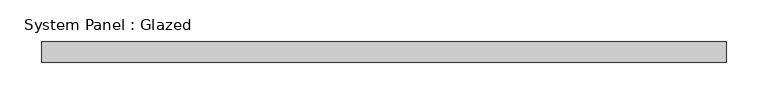
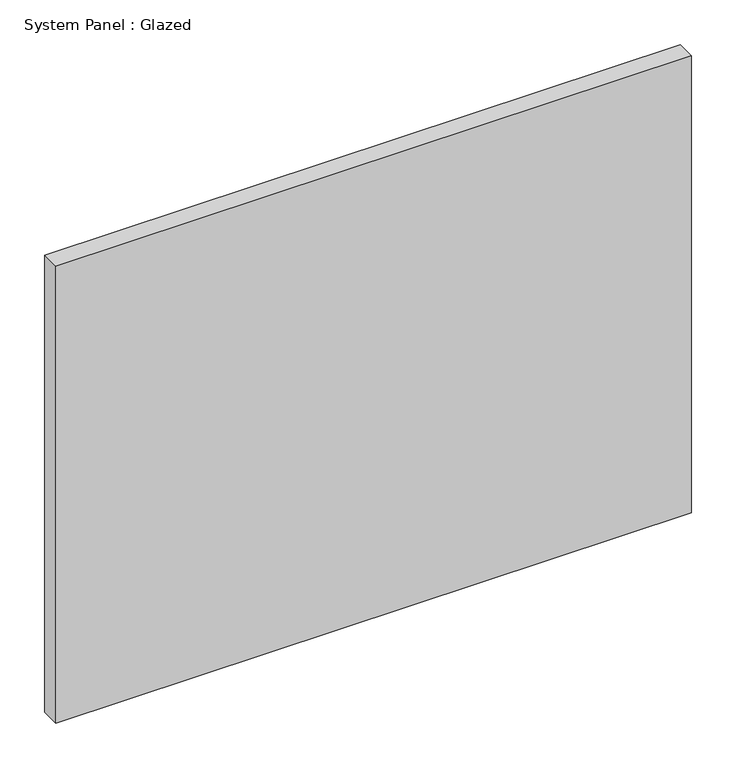
"""IFC4 building model written with IfcOpenShell, lengths in millimetres: plate geometry, System Panel : Glazed."""

from ifc_helpers import new_model, si_unit, origin, origin_with_axes, place, context, project, spatial, polyline, outline, extrude, source, transform, mapped, element, save


def system_panel_glazed_e5ba55c7(model_context):
    return source(origin(), model_context, "Body", "SweptSolid", [
        extrude(outline(polyline([(412.5, -49.5), (-412.5, -49.5), (-412.5, -24.5), (412.5, -24.5), (412.5, -49.5)])), origin_with_axes(), (0.0, 0.0, 1.0), 626.6666667),
    ])


if __name__ == "__main__":
    model = new_model("IFC4")
    model_context = context("Model", 3, world=origin())
    ifc_project = project(units=[si_unit("LENGTHUNIT", "METRE", prefix="MILLI")], contexts=[model_context])
    site = spatial("IfcSite", under=ifc_project)
    building = spatial("IfcBuilding", under=site)
    placement = place(None, origin())
    system_panel_glazed_shape = system_panel_glazed_e5ba55c7(model_context)
    element("IfcPlate", 1, ObjectType="System Panel : Glazed", at=placement, inside=building, context=model_context, shape_type="MappedRepresentation", body=[
        mapped(system_panel_glazed_shape, transform((0.0, 0.0, 0.0), x_axis=(1.0, 0.0, 0.0), y_axis=(0.0, 1.0, 0.0), z_axis=(0.0, 0.0, 1.0))),
    ])
    save(model, "model.ifc")
